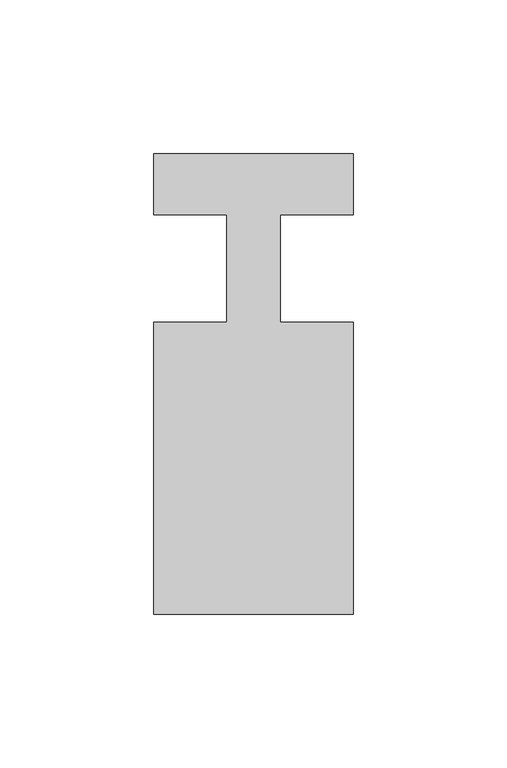
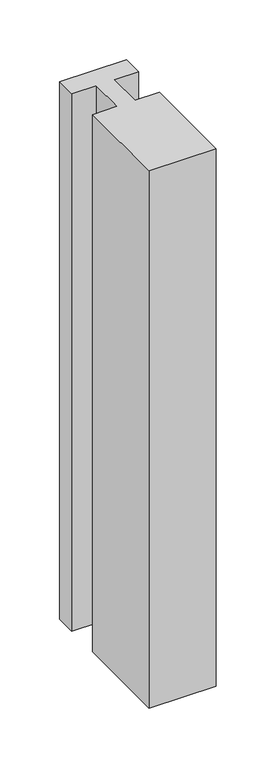
"""IFC4 building model written with IfcOpenShell, lengths in millimetres: member geometry."""

from ifc_helpers import new_model, si_unit, frame, origin, place, context, project, spatial, polyline, outline, extrude, source, transform, mapped, element, save


def member_3ffca2a1(model_context):
    return source(origin(), model_context, "Body", "SweptSolid", [
        extrude(outline(polyline([(0.0, 37.0), (0.0, 17.0), (-23.8125, 17.0), (-23.8125, -18.0), (0.0, -18.0), (0.0, -113.0), (-65.0, -113.0), (-65.0, -18.0), (-41.1875, -18.0), (-41.1875, 17.0), (-65.0, 17.0), (-65.0, 37.0), (0.0, 37.0)])), frame((0.0, 0.0, -549.4231764), z_axis=(0.0, 0.0, 1.0), x_axis=(1.0, 0.0, 0.0)), (0.0, 0.0, 1.0), 549.4231764),
    ])


if __name__ == "__main__":
    model = new_model("IFC4")
    model_context = context("Model", 3, world=origin())
    ifc_project = project(units=[si_unit("LENGTHUNIT", "METRE", prefix="MILLI")], contexts=[model_context])
    site = spatial("IfcSite", under=ifc_project)
    building = spatial("IfcBuilding", under=site)
    placement = place(None, origin())
    member_shape = member_3ffca2a1(model_context)
    element("IfcMember", 1, at=placement, inside=building, context=model_context, shape_type="MappedRepresentation", body=[
        mapped(member_shape, transform((0.0, 0.0, 0.0), x_axis=(1.0, 0.0, 0.0), y_axis=(0.0, 1.0, 0.0), z_axis=(0.0, 0.0, 1.0))),
    ])
    save(model, "model.ifc")
